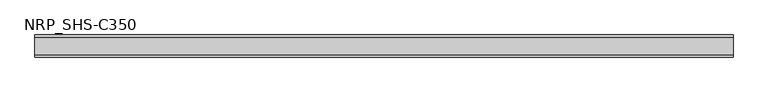
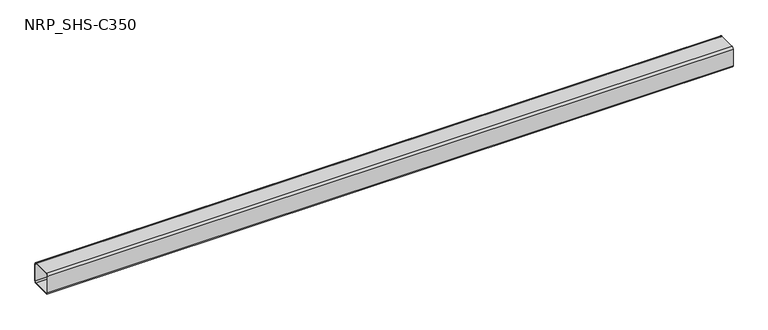
"""IFC4 building model written with IfcOpenShell, lengths in millimetres: member geometry, NRP_SHS-C350."""

from ifc_helpers import new_model, si_unit, point, frame, frame_2d, origin, place, context, project, spatial, polyline, circle_curve, trimmed, segment, composite_curve, outline, extrude, source, transform, mapped, element, save


def nrp_shs_c350_2c6d0452(model_context):
    return source(origin(), model_context, "Body", "SweptSolid", [
        extrude(outline(composite_curve([segment(polyline([(44.5, 35.75), (44.5, -35.75)]), True, "CONTINUOUS"), segment(trimmed(circle_curve(frame_2d((35.75, -35.75)), 8.75), [point((44.5, -35.75))], [point((35.75, -44.5))], False, "CARTESIAN"), True, "CONTINUOUS"), segment(polyline([(35.75, -44.5), (-35.75, -44.5)]), True, "CONTINUOUS"), segment(trimmed(circle_curve(frame_2d((-35.75, -35.75)), 8.75), [point((-35.75, -44.5))], [point((-44.5, -35.75))], False, "CARTESIAN"), True, "CONTINUOUS"), segment(polyline([(-44.5, -35.75), (-44.5, 35.75)]), True, "CONTINUOUS"), segment(trimmed(circle_curve(frame_2d((-35.75, 35.75)), 8.75), [point((-44.5, 35.75))], [point((-35.75, 44.5))], False, "CARTESIAN"), True, "CONTINUOUS"), segment(polyline([(-35.75, 44.5), (35.75, 44.5)]), True, "CONTINUOUS"), segment(trimmed(circle_curve(frame_2d((35.75, 35.75)), 8.75), [point((35.75, 44.5))], [point((44.5, 35.75))], False, "CARTESIAN"), True, "CONTINUOUS")], self_intersect=False), holes=[composite_curve([segment(trimmed(circle_curve(frame_2d((-35.75, 35.75)), 5.25), [point((-35.75, 41.0))], [point((-41.0, 35.75))], True, "CARTESIAN"), True, "CONTINUOUS"), segment(polyline([(-41.0, 35.75), (-41.0, -35.75)]), True, "CONTINUOUS"), segment(trimmed(circle_curve(frame_2d((-35.75, -35.75)), 5.25), [point((-41.0, -35.75))], [point((-35.75, -41.0))], True, "CARTESIAN"), True, "CONTINUOUS"), segment(polyline([(-35.75, -41.0), (35.75, -41.0)]), True, "CONTINUOUS"), segment(trimmed(circle_curve(frame_2d((35.75, -35.75)), 5.25), [point((35.75, -41.0))], [point((41.0, -35.75))], True, "CARTESIAN"), True, "CONTINUOUS"), segment(polyline([(41.0, -35.75), (41.0, 35.75)]), True, "CONTINUOUS"), segment(trimmed(circle_curve(frame_2d((35.75, 35.75)), 5.25), [point((41.0, 35.75))], [point((35.75, 41.0))], True, "CARTESIAN"), True, "CONTINUOUS"), segment(polyline([(35.75, 41.0), (-35.75, 41.0)]), True, "CONTINUOUS")], self_intersect=False)]), frame((-1374.5, 0.0, 0.0), z_axis=(1.0, 0.0, 0.0), x_axis=(0.0, 1.0, 0.0)), (0.0, 0.0, 1.0), 2812.0),
    ])


if __name__ == "__main__":
    model = new_model("IFC4")
    model_context = context("Model", 3, world=origin())
    ifc_project = project(units=[si_unit("LENGTHUNIT", "METRE", prefix="MILLI")], contexts=[model_context])
    site = spatial("IfcSite", under=ifc_project)
    building = spatial("IfcBuilding", under=site)
    placement = place(None, origin())
    nrp_shs_c350_shape = nrp_shs_c350_2c6d0452(model_context)
    element("IfcMember", 1, ObjectType="NRP_SHS-C350", at=placement, inside=building, context=model_context, shape_type="MappedRepresentation", body=[
        mapped(nrp_shs_c350_shape, transform((0.0, 0.0, 0.0), x_axis=(1.0, 0.0, 0.0), y_axis=(0.0, 1.0, 0.0), z_axis=(0.0, 0.0, 1.0))),
    ])
    save(model, "model.ifc")
